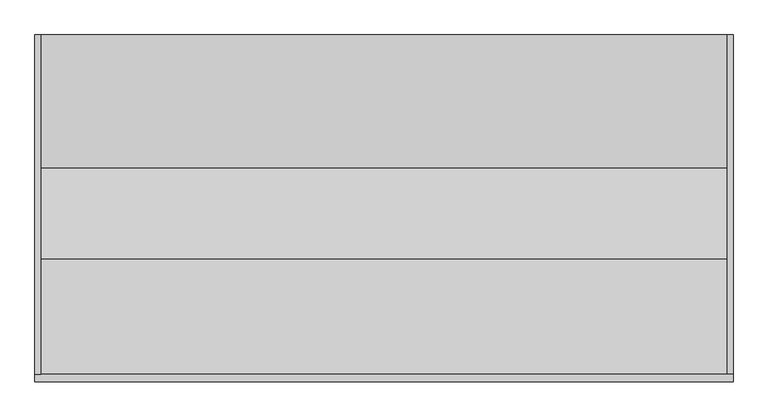
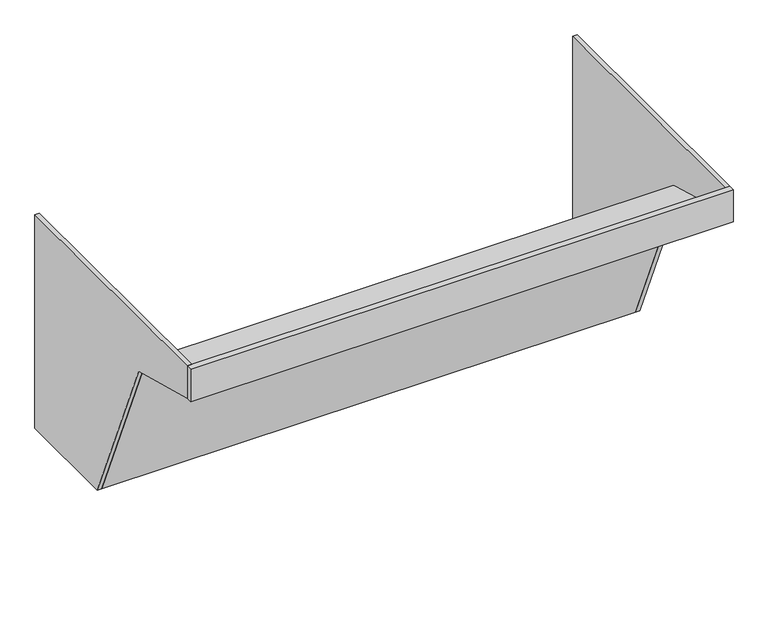
"""IFC4 building model written with IfcOpenShell, lengths in millimetres: furniture geometry."""

from ifc_helpers import new_model, si_unit, frame, origin, place, context, project, spatial, polyline, outline, extrude, source, transform, mapped, element, save


def furniture_dc2a9b1a(model_context):
    return source(origin(), model_context, "Body", "SweptSolid", [
        extrude(outline(polyline([(-595.3226947, 907.4515324), (-831.6975835, 970.7880007), (-831.6975835, 992.0602089), (-580.6571088, 921.6618598), (-380.9725541, 450.85), (-90.4875, 450.85), (-90.4875, 431.8), (-393.5854988, 431.8), (-595.3226947, 907.4515324)])), frame((-444.5, 0.0, 0.0), z_axis=(1.0, 0.0, 0.0), x_axis=(0.0, 1.0, 0.0)), (0.0, 0.0, 1.0), 1498.6),
        extrude(outline(polyline([(-90.4875, 431.8), (-393.5854988, 431.8), (-595.3226947, 907.4515324), (-831.6975835, 970.7880007), (-831.6975835, 1066.8), (-90.4875, 1066.8), (-90.4875, 431.8)])), frame((-457.2, 0.0, 0.0), z_axis=(1.0, 0.0, 0.0), x_axis=(0.0, 1.0, 0.0)), (0.0, 0.0, 1.0), 12.7),
        extrude(outline(polyline([(1066.8, -831.6975835), (1066.8, -847.7631), (-457.2, -847.7631), (-457.2, -831.6975835), (1066.8, -831.6975835)])), frame((0.0, 0.0, 970.7880007), z_axis=(0.0, 0.0, 1.0), x_axis=(1.0, 0.0, 0.0)), (0.0, 0.0, 1.0), 96.0119993),
        extrude(outline(polyline([(-90.4875, 431.8), (-393.5854988, 431.8), (-595.3226947, 907.4515324), (-831.6975835, 970.7880007), (-831.6975835, 1066.8), (-90.4875, 1066.8), (-90.4875, 431.8)])), frame((1054.1, 0.0, 0.0), z_axis=(1.0, 0.0, 0.0), x_axis=(0.0, 1.0, 0.0)), (0.0, 0.0, 1.0), 12.7),
    ])


if __name__ == "__main__":
    model = new_model("IFC4")
    model_context = context("Model", 3, world=origin())
    ifc_project = project(units=[si_unit("LENGTHUNIT", "METRE", prefix="MILLI")], contexts=[model_context])
    site = spatial("IfcSite", under=ifc_project)
    building = spatial("IfcBuilding", under=site)
    placement = place(None, origin())
    furniture_shape = furniture_dc2a9b1a(model_context)
    element("IfcFurniture", 1, at=placement, inside=building, context=model_context, shape_type="MappedRepresentation", body=[
        mapped(furniture_shape, transform((0.0, 0.0, 0.0), x_axis=(1.0, 0.0, 0.0), y_axis=(0.0, 1.0, 0.0), z_axis=(0.0, 0.0, 1.0))),
    ])
    save(model, "model.ifc")
